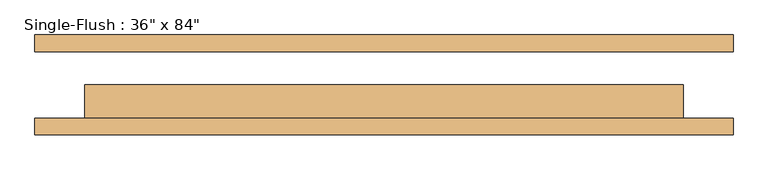
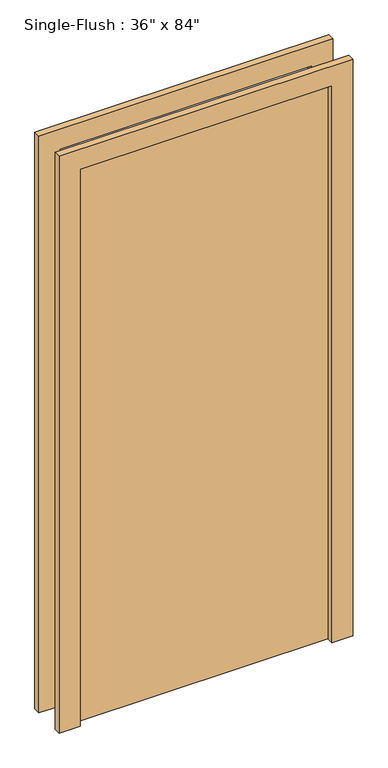
"""IFC4 building model written with IfcOpenShell, lengths in millimetres: door geometry."""

from ifc_helpers import new_model, si_unit, frame, origin, origin_with_axes, place, context, project, spatial, polyline, outline, extrude, source, transform, mapped, element, save


def door_310a3c6c(model_context):
    return source(origin(), model_context, "Body", "SweptSolid", [
        extrude(outline(polyline([(2209.8, -533.4), (0.0, -533.4), (0.0, -457.2), (2133.6, -457.2), (2133.6, 457.2), (0.0, 457.2), (0.0, 533.4), (2209.8, 533.4), (2209.8, -533.4)])), frame((0.0, -76.2, 0.0), z_axis=(0.0, 1.0, 0.0), x_axis=(0.0, 0.0, 1.0)), (0.0, 0.0, 1.0), 25.4),
        extrude(outline(polyline([(2209.8, 533.4), (2209.8, -533.4), (0.0, -533.4), (0.0, -457.2), (2133.6, -457.2), (2133.6, 457.2), (0.0, 457.2), (0.0, 533.4), (2209.8, 533.4)])), frame((0.0, 50.8, 0.0), z_axis=(0.0, 1.0, 0.0), x_axis=(0.0, 0.0, 1.0)), (0.0, 0.0, 1.0), 25.4),
        extrude(outline(polyline([(457.2, 0.0), (457.2, -50.8), (-457.2, -50.8), (-457.2, 0.0), (457.2, 0.0)])), origin_with_axes(), (0.0, 0.0, 1.0), 2133.6),
    ])


if __name__ == "__main__":
    model = new_model("IFC4")
    model_context = context("Model", 3, world=origin())
    ifc_project = project(units=[si_unit("LENGTHUNIT", "METRE", prefix="MILLI")], contexts=[model_context])
    site = spatial("IfcSite", under=ifc_project)
    building = spatial("IfcBuilding", under=site)
    placement = place(None, origin())
    door_shape = door_310a3c6c(model_context)
    element("IfcDoor", 1, ObjectType="Single-Flush : 36\" x 84\"", at=placement, inside=building, context=model_context, shape_type="MappedRepresentation", body=[
        mapped(door_shape, transform((0.0, 0.0, 0.0), x_axis=(1.0, 0.0, 0.0), y_axis=(0.0, 1.0, 0.0), z_axis=(0.0, 0.0, 1.0))),
    ])
    save(model, "model.ifc")
